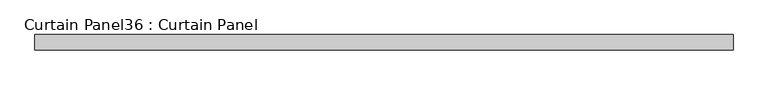
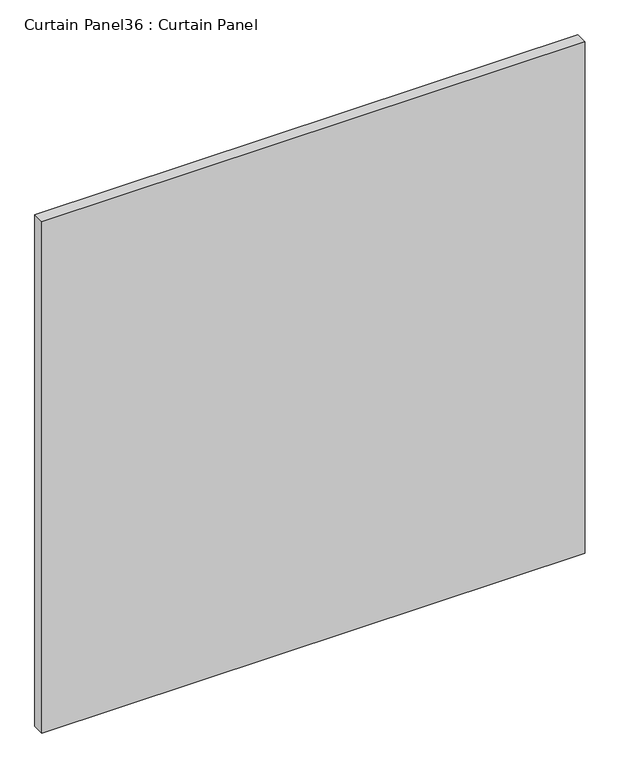
"""IFC4 building model written with IfcOpenShell, lengths in millimetres: plate geometry, Curtain Panel36 : Curtain Panel."""

from ifc_helpers import new_model, si_unit, frame, origin, place, context, project, spatial, polyline, outline, extrude, source, transform, mapped, element, save


def curtain_panel36_curtain_panel_cbcaa0ae(model_context):
    return source(origin(), model_context, "Body", "SweptSolid", [
        extrude(outline(polyline([(-413843.5652248, 3483.7345246), (-414992.6981234, 3483.7345246), (-414992.6981234, 3509.1345246), (-413843.5652248, 3509.1345246), (-413843.5652248, 3483.7345246)])), frame((0.0, 0.0, 66.6751132), z_axis=(0.0, 0.0, 1.0), x_axis=(1.0, 0.0, 0.0)), (0.0, 0.0, 1.0), 1142.9997736),
    ])


if __name__ == "__main__":
    model = new_model("IFC4")
    model_context = context("Model", 3, world=origin())
    ifc_project = project(units=[si_unit("LENGTHUNIT", "METRE", prefix="MILLI")], contexts=[model_context])
    site = spatial("IfcSite", under=ifc_project)
    building = spatial("IfcBuilding", under=site)
    placement = place(None, origin())
    curtain_panel36_curtain_panel_shape = curtain_panel36_curtain_panel_cbcaa0ae(model_context)
    element("IfcPlate", 1, ObjectType="Curtain Panel36 : Curtain Panel", at=placement, inside=building, context=model_context, shape_type="MappedRepresentation", body=[
        mapped(curtain_panel36_curtain_panel_shape, transform((0.0, 0.0, 0.0), x_axis=(1.0, 0.0, 0.0), y_axis=(0.0, 1.0, 0.0), z_axis=(0.0, 0.0, 1.0))),
    ])
    save(model, "model.ifc")
